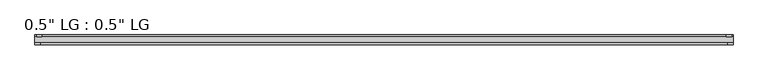
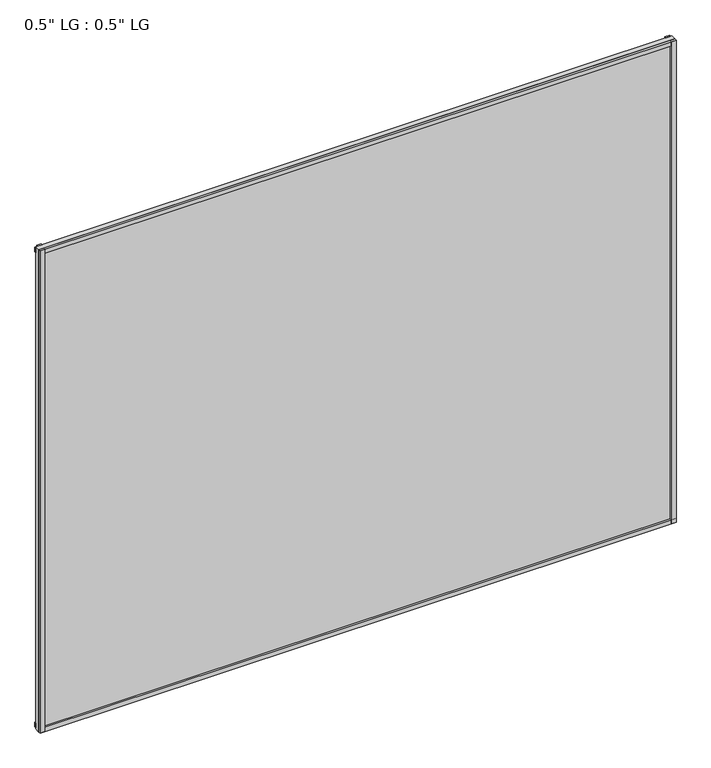
"""IFC4 building model written with IfcOpenShell, lengths in millimetres: plate geometry."""

from ifc_helpers import new_model, si_unit, frame, origin, origin_with_axes, place, context, project, spatial, polyline, outline, extrude, source, transform, mapped, element, save


def plate_53c8fa28(model_context):
    return source(origin(), model_context, "Body", "SweptSolid", [
        extrude(outline(polyline([(809.625, -33.3271813), (809.625, -38.0007813), (797.4873204, -38.0007813), (797.4873204, -33.3271813), (809.625, -33.3271813)])), origin_with_axes(), (0.0, 0.0, 1.0), 1297.2047842),
        extrude(outline(polyline([(806.0936463, -15.5217813), (806.0936463, -19.7127813), (794.0812225, -19.7127813), (794.0812225, -15.5217813), (806.0936463, -15.5217813)])), origin_with_axes(), (0.0, 0.0, 1.0), 1297.2047842),
        extrude(outline(polyline([(-797.334422, -38.0007812), (-809.625, -38.0007812), (-809.625, -33.3271813), (-797.334422, -33.3271813), (-797.334422, -38.0007812)])), origin_with_axes(), (0.0, 0.0, 1.0), 1297.2047842),
        extrude(outline(polyline([(-793.3751841, -19.7127813), (-805.6657621, -19.7127813), (-805.6657621, -15.5217812), (-793.3751841, -15.5217812), (-793.3751841, -19.7127813)])), origin_with_axes(), (0.0, 0.0, 1.0), 1297.2047842),
        extrude(outline(polyline([(809.625, -33.3271813), (809.625, -38.0007813), (-809.625, -38.0007812), (-809.625, -33.3271813), (809.625, -33.3271813)])), origin_with_axes(), (0.0, 0.0, 1.0), 11.1693096),
        extrude(outline(polyline([(809.625, -15.3590708), (809.625, -20.1364307), (-809.625, -20.1364307), (-809.625, -15.3590708), (809.625, -15.3590708)])), frame((0.0, 0.0, 3.848913), z_axis=(0.0, 0.0, 1.0), x_axis=(1.0, 0.0, 0.0)), (0.0, 0.0, 1.0), 11.1693096),
        extrude(outline(polyline([(809.625, -33.3271813), (809.625, -38.0007813), (-809.625, -38.0007812), (-809.625, -33.3271813), (809.625, -33.3271813)])), frame((0.0, 0.0, 1286.0236783), z_axis=(0.0, 0.0, 1.0), x_axis=(1.0, 0.0, 0.0)), (0.0, 0.0, 1.0), 11.1811058),
        extrude(outline(polyline([(809.625, -15.5217813), (809.625, -19.7127813), (-809.625, -19.7127812), (-809.625, -15.5217813), (809.625, -15.5217813)])), frame((0.0, 0.0, 1281.4645316), z_axis=(0.0, 0.0, 1.0), x_axis=(1.0, 0.0, 0.0)), (0.0, 0.0, 1.0), 11.1811058),
        extrude(outline(polyline([(809.625, -33.3271812), (-809.625, -33.3271812), (-809.625, -19.7127812), (809.625, -19.7127812), (809.625, -33.3271812)])), origin_with_axes(), (0.0, 0.0, 1.0), 1297.2047842),
    ])


if __name__ == "__main__":
    model = new_model("IFC4")
    model_context = context("Model", 3, world=origin())
    ifc_project = project(units=[si_unit("LENGTHUNIT", "METRE", prefix="MILLI")], contexts=[model_context])
    site = spatial("IfcSite", under=ifc_project)
    building = spatial("IfcBuilding", under=site)
    placement = place(None, origin())
    plate_shape = plate_53c8fa28(model_context)
    element("IfcPlate", 1, ObjectType="0.5\" LG : 0.5\" LG", at=placement, inside=building, context=model_context, shape_type="MappedRepresentation", body=[
        mapped(plate_shape, transform((0.0, 0.0, 0.0), x_axis=(1.0, 0.0, 0.0), y_axis=(0.0, 1.0, 0.0), z_axis=(0.0, 0.0, 1.0))),
    ])
    save(model, "model.ifc")
